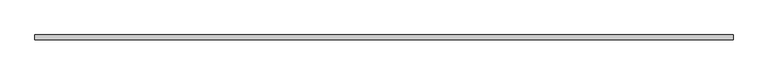
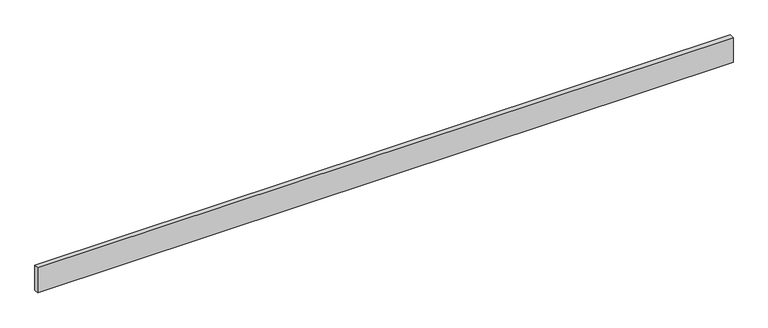
"""IFC4 building model written with IfcOpenShell, lengths in millimetres: beam geometry."""

from ifc_helpers import new_model, si_unit, frame, origin, place, context, project, spatial, polyline, outline, extrude, source, transform, mapped, element, save


def beam_60617e37(model_context):
    return source(origin(), model_context, "Body", "SweptSolid", [
        extrude(outline(polyline([(2650.0, -18.0), (-2650.0, -18.0), (-2650.0, 18.0), (2650.0, 18.0), (2650.0, -18.0)])), frame((0.0, 0.0, -100.0), z_axis=(0.0, 0.0, 1.0), x_axis=(1.0, 0.0, 0.0)), (0.0, 0.0, 1.0), 200.0),
    ])


if __name__ == "__main__":
    model = new_model("IFC4")
    model_context = context("Model", 3, world=origin())
    ifc_project = project(units=[si_unit("LENGTHUNIT", "METRE", prefix="MILLI")], contexts=[model_context])
    site = spatial("IfcSite", under=ifc_project)
    building = spatial("IfcBuilding", under=site)
    placement = place(None, origin())
    beam_shape = beam_60617e37(model_context)
    element("IfcBeam", 1, at=placement, inside=building, context=model_context, shape_type="MappedRepresentation", body=[
        mapped(beam_shape, transform((0.0, 0.0, 0.0), x_axis=(1.0, 0.0, 0.0), y_axis=(0.0, 1.0, 0.0), z_axis=(0.0, 0.0, 1.0))),
    ])
    save(model, "model.ifc")
